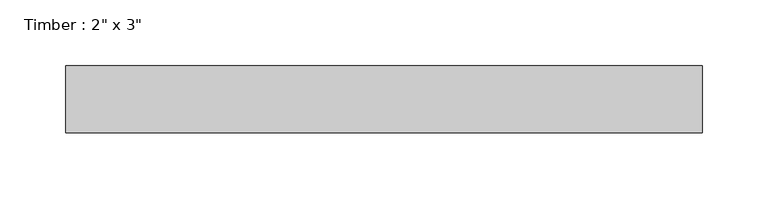
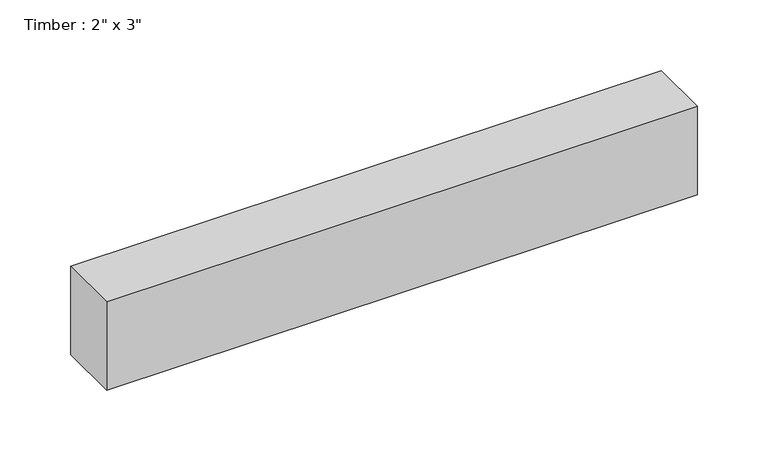
"""IFC4 building model written with IfcOpenShell, lengths in millimetres: beam geometry."""

from ifc_helpers import new_model, si_unit, frame, origin, place, context, project, spatial, polyline, outline, extrude, source, transform, mapped, element, save


def beam_d09ee2dd(model_context):
    return source(origin(), model_context, "Body", "SweptSolid", [
        extrude(outline(polyline([(241.264089, -25.4), (-241.264089, -25.4), (-241.264089, 25.4), (241.264089, 25.4), (241.264089, -25.4)])), frame((0.0, 0.0, -38.1), z_axis=(0.0, 0.0, 1.0), x_axis=(1.0, 0.0, 0.0)), (0.0, 0.0, 1.0), 76.2),
    ])


if __name__ == "__main__":
    model = new_model("IFC4")
    model_context = context("Model", 3, world=origin())
    ifc_project = project(units=[si_unit("LENGTHUNIT", "METRE", prefix="MILLI")], contexts=[model_context])
    site = spatial("IfcSite", under=ifc_project)
    building = spatial("IfcBuilding", under=site)
    placement = place(None, origin())
    beam_shape = beam_d09ee2dd(model_context)
    element("IfcBeam", 1, ObjectType="Timber : 2\" x 3\"", at=placement, inside=building, context=model_context, shape_type="MappedRepresentation", body=[
        mapped(beam_shape, transform((0.0, 0.0, 0.0), x_axis=(1.0, 0.0, 0.0), y_axis=(0.0, 1.0, 0.0), z_axis=(0.0, 0.0, 1.0))),
    ])
    save(model, "model.ifc")
